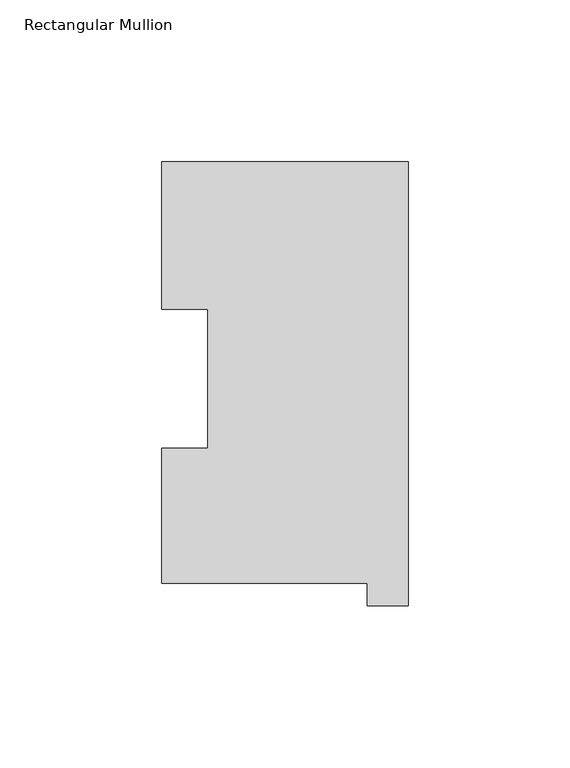
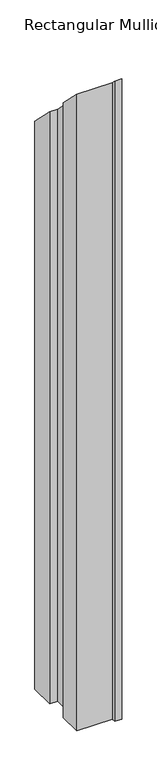
"""IFC4 building model written with IfcOpenShell, lengths in millimetres: member geometry, Rectangular Mullion."""

import ifcopenshell
import ifcopenshell.guid

model = None  # the IFC model being written
_history = None  # IfcOwnerHistory: only IFC2X3 demands one
_inside = {}  # id of a spatial element -> (the spatial element, [elements in it])
_under = {}  # id of a project, library or spatial element -> (it, [spatial elements below it])
_declared = {}  # id of a project -> (the project, [libraries it declares])
_typed = {}  # id of a type object -> (the type object, [elements of that type])
_made_of = {}  # id of a material, layer set ... -> (it, [elements and type objects made of it])


def new_model(schema):
    """Start an empty IFC model of exactly this schema.

    Asked for "IFC4X3", IfcOpenShell would pick the latest addendum, in which some entities
    have other attributes; the version numbers below select the first issue.
    IFC2X3 requires an IfcOwnerHistory on every rooted entity: one is made here for all.
    """
    global model, _history
    if schema == "IFC4X3":
        model = ifcopenshell.file(schema_version=(4, 3, 0, 0))
    else:
        model = ifcopenshell.file(schema=schema)
    _inside.clear()
    _under.clear()
    _declared.clear()
    _typed.clear()
    _made_of.clear()
    _history = None
    if model.schema == "IFC2X3":
        org = make("IfcOrganization", Name="unknown")
        user = make(
            "IfcPersonAndOrganization",
            ThePerson=make("IfcPerson", FamilyName="unknown"),
            TheOrganization=org,
        )
        app = make(
            "IfcApplication",
            ApplicationDeveloper=org,
            Version="unknown",
            ApplicationFullName="unknown",
            ApplicationIdentifier="unknown",
        )
        _history = make(
            "IfcOwnerHistory",
            OwningUser=user,
            OwningApplication=app,
            ChangeAction="ADDED",
            CreationDate=0,
        )
    return model


def make(cls, **values):
    """One entity of the class cls with the attributes given. An attribute that is None is left unset."""
    return model.create_entity(
        cls, **{name: value for name, value in values.items() if value is not None}
    )


def rooted(cls, **values):
    """An entity with a GlobalId (a new one), such as an element, a storey or a relation."""
    return make(cls, GlobalId=ifcopenshell.guid.new(), OwnerHistory=_history, **values)


def si_unit(unit_type, name, prefix=None):
    """IfcSIUnit, for example si_unit("LENGTHUNIT", "METRE", prefix="MILLI")."""
    return make("IfcSIUnit", UnitType=unit_type, Prefix=prefix, Name=name)


def assignment(units):
    """IfcUnitAssignment: the units of a project."""
    return None if units is None else make("IfcUnitAssignment", Units=units)


def point(xyz):
    """IfcCartesianPoint."""
    return None if xyz is None else make("IfcCartesianPoint", Coordinates=xyz)


def direction(xyz):
    """IfcDirection."""
    return None if xyz is None else make("IfcDirection", DirectionRatios=xyz)


def frame(location, z_axis=None, x_axis=None):
    """IfcAxis2Placement3D, a coordinate frame: its origin and axes. An axis left out is left unset."""
    return make(
        "IfcAxis2Placement3D",
        Location=point(location),
        Axis=direction(z_axis),
        RefDirection=direction(x_axis),
    )


def origin():
    """The frame at (0, 0, 0) with its axes left unset."""
    return frame((0.0, 0.0, 0.0))


def place(relative_to, where):
    """IfcLocalPlacement: puts the frame where relative to a parent placement (None: the world)."""
    return make(
        "IfcLocalPlacement", PlacementRelTo=relative_to, RelativePlacement=where
    )


def context(
    kind, dimensions, precision=None, world=None, true_north=None, identifier=None
):
    """IfcGeometricRepresentationContext, for example the 3D "Model" context."""
    return make(
        "IfcGeometricRepresentationContext",
        ContextIdentifier=identifier,
        ContextType=kind,
        CoordinateSpaceDimension=dimensions,
        Precision=precision,
        WorldCoordinateSystem=world,
        TrueNorth=true_north,
    )


def project(units=None, contexts=None):
    """IfcProject with its units and contexts."""
    return rooted(
        "IfcProject",
        Name="project",
        RepresentationContexts=contexts,
        UnitsInContext=assignment(units),
    )


def spatial(cls, under=None, at=None, **own):
    """A site, building, storey or space (cls), placed at a placement, below another one or the project."""
    s = rooted(cls, ObjectPlacement=at, **own)
    if under is not None:
        _under.setdefault(under.id(), (under, []))[1].append(s)
    return s


def faces_of(points, faces, orient=None, outer=None):
    """IfcFace entities. A face is a list of loops; a loop is a list of indices into points, from 0.

    orient and outer hold one flag for each loop. By default every Orientation is true, the
    first loop of a face is its IfcFaceOuterBound and the others are IfcFaceBound.
    """
    made = []
    for i, loops in enumerate(faces):
        bounds = []
        for j, loop in enumerate(loops):
            is_outer = j == 0 if outer is None else outer[i][j]
            bounds.append(
                make(
                    "IfcFaceOuterBound" if is_outer else "IfcFaceBound",
                    Bound=make("IfcPolyLoop", Polygon=[points[k] for k in loop]),
                    Orientation=True if orient is None else orient[i][j],
                )
            )
        made.append(make("IfcFace", Bounds=bounds))
    return made


def faceted_brep(points, faces, orient=None, outer=None, voids=None):
    """IfcFacetedBrep: a solid bounded by flat faces; with voids (closed shells), ...WithVoids."""
    shared = [point(p) for p in points]
    hull = make("IfcClosedShell", CfsFaces=faces_of(shared, faces, orient, outer))
    if voids is None:
        return make("IfcFacetedBrep", Outer=hull)
    return make(
        "IfcFacetedBrepWithVoids",
        Outer=hull,
        Voids=[
            make(cls, CfsFaces=faces_of(shared, fs, o, b)) for cls, fs, o, b in voids
        ],
    )


def shape(context_of_items, identifier, shape_type, items):
    """IfcShapeRepresentation: the items that make up one representation, for example the "Body"."""
    return make(
        "IfcShapeRepresentation",
        ContextOfItems=context_of_items,
        RepresentationIdentifier=identifier,
        RepresentationType=shape_type,
        Items=items,
    )


def source(mapping_origin, context_of_items, identifier, shape_type, items):
    """IfcRepresentationMap: a shape defined once, which mapped items show again and again."""
    return make(
        "IfcRepresentationMap",
        MappingOrigin=mapping_origin,
        MappedRepresentation=shape(context_of_items, identifier, shape_type, items),
    )


def transform(
    local_origin,
    x_axis=None,
    y_axis=None,
    z_axis=None,
    scale=None,
    scale2=None,
    scale3=None,
    uniform=True,
):
    """IfcCartesianTransformationOperator3D, or its non-uniform kind. x_axis, y_axis, z_axis: its Axis1, 2, 3."""
    if uniform:
        return make(
            "IfcCartesianTransformationOperator3D",
            Axis1=direction(x_axis),
            Axis2=direction(y_axis),
            LocalOrigin=point(local_origin),
            Scale=scale,
            Axis3=direction(z_axis),
        )
    return make(
        "IfcCartesianTransformationOperator3DnonUniform",
        Axis1=direction(x_axis),
        Axis2=direction(y_axis),
        LocalOrigin=point(local_origin),
        Scale=scale,
        Axis3=direction(z_axis),
        Scale2=scale2,
        Scale3=scale3,
    )


def mapped(mapping_source, mapping_target):
    """IfcMappedItem: shows the shape of a source again, moved by a transform."""
    return make(
        "IfcMappedItem", MappingSource=mapping_source, MappingTarget=mapping_target
    )


def made_of(thing, what):
    """Note that an element or type object is made of a material, layer set ...; save() writes the relation."""
    if what is not None:
        _made_of.setdefault(what.id(), (what, []))[1].append(thing)
    return thing


def element(
    cls,
    number,
    at=None,
    inside=None,
    cuts=None,
    type_object=None,
    material=None,
    context=None,
    identifier="Body",
    shape_type=None,
    held_by="IfcProductDefinitionShape",
    body=None,
    shapes=None,
    **own,
):
    """One element of the class cls, such as IfcWall. Its Tag is "e" and its number.

    at: its placement. inside: the storey or other place that contains it. cuts: it is an
    opening in that element (IfcRelVoidsElement). A single representation is given by context,
    identifier, shape_type and body (its items); several are given by shapes. held_by: the class
    of the entity that holds the representations. save() writes the other relations.
    """
    e = rooted(cls, Tag="e%d" % number, ObjectPlacement=at, **own)
    if body is not None:
        shapes = [shape(context, identifier, shape_type, body)]
    if shapes is not None:
        e.Representation = make(held_by, Representations=shapes)
    if inside is not None:
        _inside.setdefault(inside.id(), (inside, []))[1].append(e)
    if cuts is not None:
        rooted(
            "IfcRelVoidsElement", RelatingBuildingElement=cuts, RelatedOpeningElement=e
        )
    if type_object is not None:
        _typed.setdefault(type_object.id(), (type_object, []))[1].append(e)
    return made_of(e, material)


def aggregate(whole, parts):
    """IfcRelAggregates: a whole, such as a stair, and the parts it consists of."""
    return rooted("IfcRelAggregates", RelatingObject=whole, RelatedObjects=parts)


def save(model, path):
    """Write the relations noted so far, then the file.

    IfcRelAggregates (storeys below a building ...), IfcRelContainedInSpatialStructure (elements
    in a storey), IfcRelDefinesByType, IfcRelAssociatesMaterial and IfcRelDeclares: one each for
    every whole, place, type object, material and project.
    """
    for whole, parts in _under.values():
        aggregate(whole, parts)
    for where, things in _inside.values():
        rooted(
            "IfcRelContainedInSpatialStructure",
            RelatedElements=things,
            RelatingStructure=where,
        )
    for kind, things in _typed.values():
        rooted("IfcRelDefinesByType", RelatedObjects=things, RelatingType=kind)
    for what, things in _made_of.values():
        rooted("IfcRelAssociatesMaterial", RelatedObjects=things, RelatingMaterial=what)
    for by, libraries in _declared.values():
        rooted("IfcRelDeclares", RelatingContext=by, RelatedDefinitions=libraries)
    model.write(path)


def rectangular_mullion_97417531(model_context):
    return source(origin(), model_context, "Body", "Brep", [
        faceted_brep([(-76.2, 130.2646937, -1206.50635), (0.0, 130.2646937, -1206.50635), (0.0, -6.9461063, -1206.50635), (-12.7, -6.9461063, -1206.50635), (-12.7, -0.0373063, -1206.50635), (-76.2, -0.0373063, -1206.50635), (-76.2, 41.7508474, -1206.50635), (-61.9101579, 41.7508474, -1206.50635), (-61.9101579, 84.6335938, -1206.50635), (-76.2, 84.6335938, -1206.50635), (-76.2, 84.6335938, -84.6335937), (-76.2, 130.2646937, -130.2646937), (-61.9101579, 84.6335938, -84.6335937), (-61.9101579, 41.7508474, -41.7508474), (-76.2, 41.7508474, -41.7508474), (-76.2, -0.0373063, 0.0373063), (-12.7, -0.0373063, 0.0373063), (-12.7, -6.9461063, 6.9461063), (0.0, -6.9461063, 6.9461063), (0.0, 130.2646937, -130.2646937)], [[[0, 1, 2, 3, 4, 5, 6, 7, 8, 9]], [[10, 11, 0, 9]], [[12, 10, 9, 8]], [[13, 12, 8, 7]], [[14, 13, 7, 6]], [[15, 14, 6, 5]], [[16, 15, 5, 4]], [[17, 16, 4, 3]], [[18, 17, 3, 2]], [[19, 18, 2, 1]], [[11, 19, 1, 0]], [[11, 10, 12, 13, 14, 15, 16, 17, 18, 19]]]),
    ])


if __name__ == "__main__":
    model = new_model("IFC4")
    model_context = context("Model", 3, world=origin())
    ifc_project = project(units=[si_unit("LENGTHUNIT", "METRE", prefix="MILLI")], contexts=[model_context])
    site = spatial("IfcSite", under=ifc_project)
    building = spatial("IfcBuilding", under=site)
    placement = place(None, origin())
    rectangular_mullion_shape = rectangular_mullion_97417531(model_context)
    element("IfcMember", 1, ObjectType="Rectangular Mullion", at=placement, inside=building, context=model_context, shape_type="MappedRepresentation", body=[
        mapped(rectangular_mullion_shape, transform((0.0, 0.0, 0.0), x_axis=(1.0, 0.0, 0.0), y_axis=(0.0, 1.0, 0.0), z_axis=(0.0, 0.0, 1.0))),
    ])
    save(model, "model.ifc")
